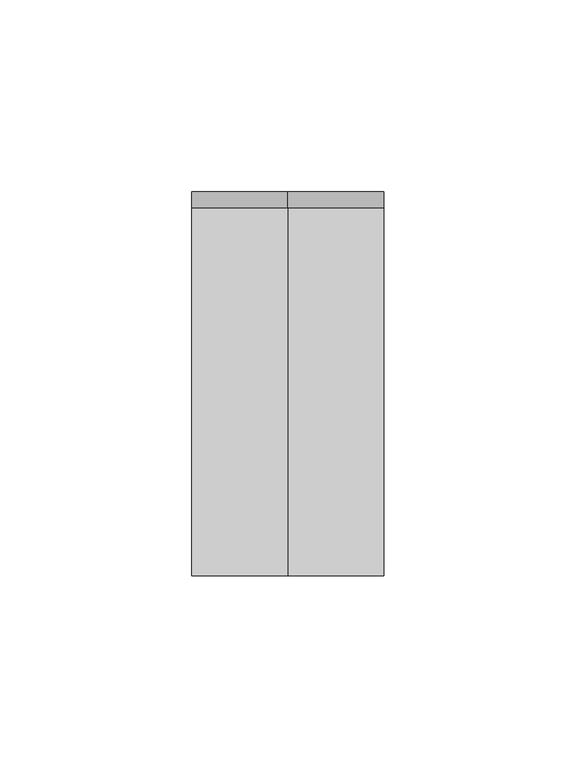
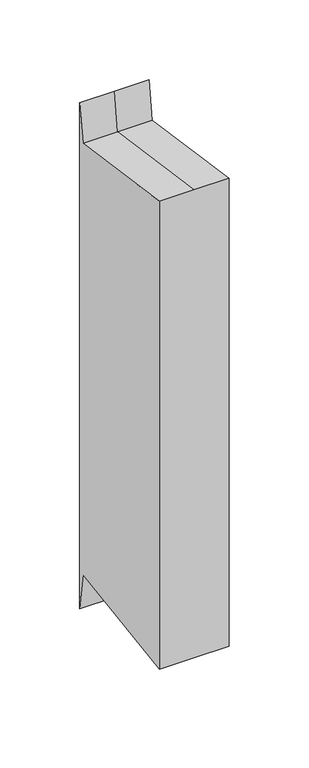
"""IFC4 building model written with IfcOpenShell, lengths in millimetres: member geometry."""

from ifc_helpers import new_model, si_unit, origin, place, context, project, spatial, faceted_brep, source, transform, mapped, element, save


def member_8c62300e(model_context):
    return source(origin(), model_context, "Body", "Brep", [
        faceted_brep([(-25.0, 50.0, 21.3998115), (0.0, 50.0, 21.3998115), (25.0, 50.0, 21.3998115), (25.0, 50.0, -364.8726404), (0.0, 50.0, -364.8726404), (-25.0, 50.0, -364.8726404), (-25.0, -50.0, 6.9773241), (-25.0, 45.9026004, -6.9053488), (-25.0, 45.9026004, -336.5674802), (-25.0, -50.0, -350.450153), (25.0, -50.0, 6.9773241), (0.0, -50.0, 6.9773241), (0.0, -50.0, -350.450153), (25.0, -50.0, -350.450153), (25.0, 45.9026004, -6.9053488), (25.0, 45.9026004, -336.5674802), (0.0, 45.9026004, -6.9053488), (0.0, 45.9026004, -336.5674802)], [[[0, 1, 2, 3, 4, 5]], [[6, 7, 0, 5, 8, 9]], [[10, 11, 6, 9, 12, 13]], [[2, 14, 10, 13, 15, 3]], [[2, 1, 16, 14]], [[1, 0, 7, 16]], [[7, 6, 11, 16]], [[11, 10, 14, 16]], [[3, 15, 17, 4]], [[15, 13, 12, 17]], [[12, 9, 8, 17]], [[8, 5, 4, 17]]]),
    ])


if __name__ == "__main__":
    model = new_model("IFC4")
    model_context = context("Model", 3, world=origin())
    ifc_project = project(units=[si_unit("LENGTHUNIT", "METRE", prefix="MILLI")], contexts=[model_context])
    site = spatial("IfcSite", under=ifc_project)
    building = spatial("IfcBuilding", under=site)
    placement = place(None, origin())
    member_shape = member_8c62300e(model_context)
    element("IfcMember", 1, at=placement, inside=building, context=model_context, shape_type="MappedRepresentation", body=[
        mapped(member_shape, transform((0.0, 0.0, 0.0), x_axis=(1.0, 0.0, 0.0), y_axis=(0.0, 1.0, 0.0), z_axis=(0.0, 0.0, 1.0))),
    ])
    save(model, "model.ifc")
